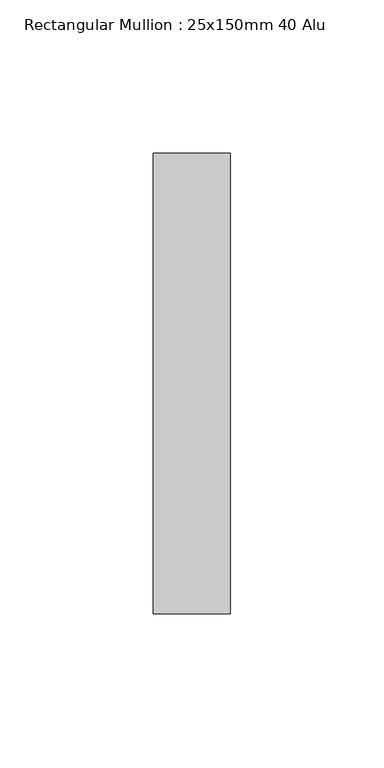
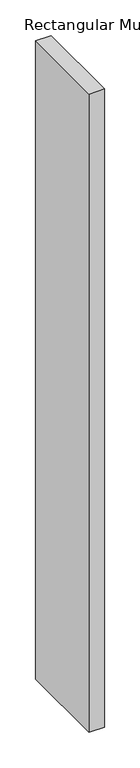
"""IFC4 building model written with IfcOpenShell, lengths in millimetres: member geometry, Rectangular Mullion : 25x150mm 40 Alu."""

from ifc_helpers import new_model, si_unit, frame, origin, place, context, project, spatial, polyline, outline, extrude, source, transform, mapped, element, save


def rectangular_mullion_25x150mm_40_alu_51bbf066(model_context):
    return source(origin(), model_context, "Body", "SweptSolid", [
        extrude(outline(polyline([(0.0, 35.0), (0.0, -115.0), (-25.0, -115.0), (-25.0, 35.0), (0.0, 35.0)])), frame((0.0, 0.0, -1091.0063259), z_axis=(0.0, 0.0, 1.0), x_axis=(1.0, 0.0, 0.0)), (0.0, 0.0, 1.0), 1091.0063259),
    ])


if __name__ == "__main__":
    model = new_model("IFC4")
    model_context = context("Model", 3, world=origin())
    ifc_project = project(units=[si_unit("LENGTHUNIT", "METRE", prefix="MILLI")], contexts=[model_context])
    site = spatial("IfcSite", under=ifc_project)
    building = spatial("IfcBuilding", under=site)
    placement = place(None, origin())
    rectangular_mullion_25x150mm_40_alu_shape = rectangular_mullion_25x150mm_40_alu_51bbf066(model_context)
    element("IfcMember", 1, ObjectType="Rectangular Mullion : 25x150mm 40 Alu", at=placement, inside=building, context=model_context, shape_type="MappedRepresentation", body=[
        mapped(rectangular_mullion_25x150mm_40_alu_shape, transform((0.0, 0.0, 0.0), x_axis=(1.0, 0.0, 0.0), y_axis=(0.0, 1.0, 0.0), z_axis=(0.0, 0.0, 1.0))),
    ])
    save(model, "model.ifc")
